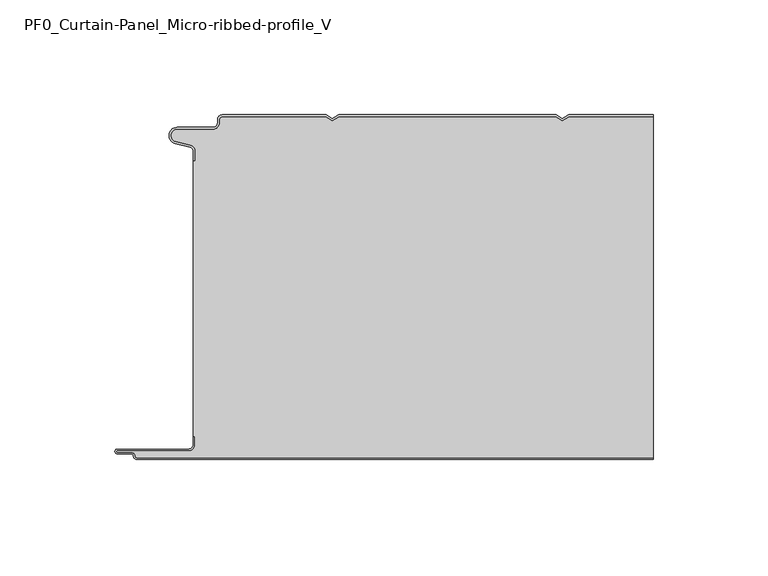
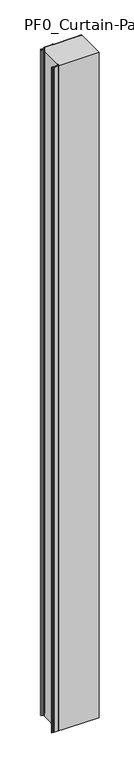
"""IFC4 building model written with IfcOpenShell, lengths in millimetres: plate geometry, PF0_Curtain-Panel_Micro-ribbed-profile_V."""

from ifc_helpers import new_model, si_unit, point, frame_2d, origin, origin_with_axes, place, context, project, spatial, polyline, circle_curve, trimmed, segment, composite_curve, outline, extrude, source, transform, mapped, element, save


def pf0_curtain_panel_micro_ribbed_profile_v_81ee05c0(model_context):
    return source(origin(), model_context, "Body", "SweptSolid", [
        extrude(outline(composite_curve([segment(trimmed(circle_curve(frame_2d((-102.0, -15.878557)), 2.0), [point((-100.0, -15.878557))], [point((-101.5500978, -13.9298169))], True, "CARTESIAN"), True, "CONTINUOUS"), segment(polyline([(-101.5500978, -13.9298169), (-107.7098239, -12.507732)]), True, "CONTINUOUS"), segment(trimmed(circle_curve(frame_2d((-106.9, -9.0)), 3.6), [point((-107.7098239, -12.507732))], [point((-106.9, -5.4))], False, "CARTESIAN"), True, "CONTINUOUS"), segment(polyline([(-106.9, -5.4), (-91.4, -5.4)]), True, "CONTINUOUS"), segment(trimmed(circle_curve(frame_2d((-91.4, -3.4)), 2.0), [point((-91.4, -5.4))], [point((-89.4, -3.4))], True, "CARTESIAN"), True, "CONTINUOUS"), segment(polyline([(-89.4, -3.4), (-89.4, -2.0)]), True, "CONTINUOUS"), segment(trimmed(circle_curve(frame_2d((-87.4, -2.0)), 2.0), [point((-89.4, -2.0))], [point((-87.4, 0.0))], False, "CARTESIAN"), True, "CONTINUOUS"), segment(polyline([(-87.4, 0.0), (-42.0999995, 0.0), (-39.4, -1.5588455), (-36.7000005, 0.0), (57.9000005, 0.0), (60.6, -1.5588455), (63.2999995, 0.0), (100.0, 0.0), (100.0, -0.8), (63.5143588, -0.8), (60.6, -2.482606), (57.6856412, -0.8), (-36.4856412, -0.8), (-39.4, -2.482606), (-42.3143588, -0.8), (-87.4, -0.8)]), True, "CONTINUOUS"), segment(trimmed(circle_curve(frame_2d((-87.4, -2.0)), 1.2), [point((-87.4, -0.8))], [point((-88.6, -2.0))], True, "CARTESIAN"), True, "CONTINUOUS"), segment(polyline([(-88.6, -2.0), (-88.6, -3.4)]), True, "CONTINUOUS"), segment(trimmed(circle_curve(frame_2d((-91.4, -3.4)), 2.8), [point((-88.6, -3.4))], [point((-91.4, -6.2))], False, "CARTESIAN"), True, "CONTINUOUS"), segment(polyline([(-91.4, -6.2), (-106.9, -6.2)]), True, "CONTINUOUS"), segment(trimmed(circle_curve(frame_2d((-106.9, -9.0)), 2.8), [point((-106.9, -6.2))], [point((-107.529863, -11.7282362))], True, "CARTESIAN"), True, "CONTINUOUS"), segment(polyline([(-107.529863, -11.7282362), (-101.370137, -13.150321)]), True, "CONTINUOUS"), segment(trimmed(circle_curve(frame_2d((-102.0, -15.878557)), 2.8), [point((-101.370137, -13.150321))], [point((-99.2, -15.878557))], False, "CARTESIAN"), True, "CONTINUOUS"), segment(polyline([(-99.2, -15.878557), (-99.2, -20.0), (-100.0, -20.0), (-100.0, -15.878557)]), True, "CONTINUOUS")], self_intersect=False)), origin_with_axes(), (0.0, 0.0, 1.0), 3500.0),
        extrude(outline(composite_curve([segment(polyline([(-99.2, -140.0), (-100.0, -140.0), (-100.0, -20.0), (-99.2, -20.0), (-99.2, -15.878557)]), True, "CONTINUOUS"), segment(trimmed(circle_curve(frame_2d((-102.0, -15.878557)), 2.8), [point((-99.2, -15.878557))], [point((-101.370137, -13.1503208))], True, "CARTESIAN"), True, "CONTINUOUS"), segment(polyline([(-101.370137, -13.1503208), (-107.529863, -11.7282362)]), True, "CONTINUOUS"), segment(trimmed(circle_curve(frame_2d((-106.9, -9.0)), 2.8), [point((-107.529863, -11.7282362))], [point((-106.9, -6.2))], False, "CARTESIAN"), True, "CONTINUOUS"), segment(polyline([(-106.9, -6.2), (-91.4, -6.2)]), True, "CONTINUOUS"), segment(trimmed(circle_curve(frame_2d((-91.4, -3.4)), 2.8), [point((-91.4, -6.2))], [point((-88.6, -3.4))], True, "CARTESIAN"), True, "CONTINUOUS"), segment(polyline([(-88.6, -3.4), (-88.6, -2.0)]), True, "CONTINUOUS"), segment(trimmed(circle_curve(frame_2d((-87.4, -2.0)), 1.2), [point((-88.6, -2.0))], [point((-87.4, -0.8))], False, "CARTESIAN"), True, "CONTINUOUS"), segment(polyline([(-87.4, -0.8), (-42.3143588, -0.8), (-39.4, -2.482606), (-36.4856412, -0.8), (57.6856412, -0.8), (60.6, -2.482606), (63.5143588, -0.8), (100.0, -0.8), (100.0, -149.2), (-124.4, -149.2)]), True, "CONTINUOUS"), segment(trimmed(circle_curve(frame_2d((-124.4, -148.4)), 0.8), [point((-124.4, -149.2))], [point((-125.2, -148.4))], False, "CARTESIAN"), True, "CONTINUOUS"), segment(trimmed(circle_curve(frame_2d((-126.9, -148.6133333)), 1.7133333), [point((-125.2, -148.4))], [point((-126.9, -146.9))], True, "CARTESIAN"), True, "CONTINUOUS"), segment(polyline([(-126.9, -146.9), (-132.8700312, -146.9)]), True, "CONTINUOUS"), segment(trimmed(circle_curve(frame_2d((-132.8700312, -146.6)), 0.3), [point((-132.8700312, -146.9))], [point((-132.8700312, -146.3))], False, "CARTESIAN"), True, "CONTINUOUS"), segment(polyline([(-132.8700312, -146.3), (-102.0, -146.3)]), True, "CONTINUOUS"), segment(trimmed(circle_curve(frame_2d((-102.0, -143.5)), 2.8), [point((-102.0, -146.3))], [point((-99.2, -143.5))], True, "CARTESIAN"), True, "CONTINUOUS"), segment(polyline([(-99.2, -143.5), (-99.2, -140.0)]), True, "CONTINUOUS")], self_intersect=False)), origin_with_axes(), (0.0, 0.0, 1.0), 3500.0),
        extrude(outline(composite_curve([segment(polyline([(-100.0, -140.0), (-99.2, -140.0), (-99.2, -143.5)]), True, "CONTINUOUS"), segment(trimmed(circle_curve(frame_2d((-102.0, -143.5)), 2.8), [point((-99.2, -143.5))], [point((-102.0, -146.3))], False, "CARTESIAN"), True, "CONTINUOUS"), segment(polyline([(-102.0, -146.3), (-132.8700312, -146.3)]), True, "CONTINUOUS"), segment(trimmed(circle_curve(frame_2d((-132.8700312, -146.6)), 0.3), [point((-132.8700312, -146.3))], [point((-132.8700312, -146.9))], True, "CARTESIAN"), True, "CONTINUOUS"), segment(polyline([(-132.8700312, -146.9), (-126.9, -146.9)]), True, "CONTINUOUS"), segment(trimmed(circle_curve(frame_2d((-126.9, -148.6133333)), 1.7133333), [point((-126.9, -146.9))], [point((-125.2, -148.4))], False, "CARTESIAN"), True, "CONTINUOUS"), segment(trimmed(circle_curve(frame_2d((-124.4, -148.4)), 0.8), [point((-125.2, -148.4))], [point((-124.4, -149.2))], True, "CARTESIAN"), True, "CONTINUOUS"), segment(polyline([(-124.4, -149.2), (100.0, -149.2), (100.0, -150.0), (-124.4, -150.0)]), True, "CONTINUOUS"), segment(trimmed(circle_curve(frame_2d((-124.4, -148.4)), 1.6), [point((-124.4, -150.0))], [point((-126.0, -148.4))], False, "CARTESIAN"), True, "CONTINUOUS"), segment(trimmed(circle_curve(frame_2d((-126.9, -148.4)), 0.9), [point((-126.0, -148.4))], [point((-126.9, -147.5))], True, "CARTESIAN"), True, "CONTINUOUS"), segment(polyline([(-126.9, -147.5), (-133.0, -147.5)]), True, "CONTINUOUS"), segment(trimmed(circle_curve(frame_2d((-133.0, -146.5)), 1.0), [point((-133.0, -147.5))], [point((-133.0, -145.5))], False, "CARTESIAN"), True, "CONTINUOUS"), segment(polyline([(-133.0, -145.5), (-102.0, -145.5)]), True, "CONTINUOUS"), segment(trimmed(circle_curve(frame_2d((-102.0, -143.5)), 2.0), [point((-102.0, -145.5))], [point((-100.0, -143.5))], True, "CARTESIAN"), True, "CONTINUOUS"), segment(polyline([(-100.0, -143.5), (-100.0, -140.0)]), True, "CONTINUOUS")], self_intersect=False)), origin_with_axes(), (0.0, 0.0, 1.0), 3500.0),
    ])


if __name__ == "__main__":
    model = new_model("IFC4")
    model_context = context("Model", 3, world=origin())
    ifc_project = project(units=[si_unit("LENGTHUNIT", "METRE", prefix="MILLI")], contexts=[model_context])
    site = spatial("IfcSite", under=ifc_project)
    building = spatial("IfcBuilding", under=site)
    placement = place(None, origin())
    pf0_curtain_panel_micro_ribbed_profile_v_shape = pf0_curtain_panel_micro_ribbed_profile_v_81ee05c0(model_context)
    element("IfcPlate", 1, ObjectType="PF0_Curtain-Panel_Micro-ribbed-profile_V", at=placement, inside=building, context=model_context, shape_type="MappedRepresentation", body=[
        mapped(pf0_curtain_panel_micro_ribbed_profile_v_shape, transform((0.0, 0.0, 0.0), x_axis=(1.0, 0.0, 0.0), y_axis=(0.0, 1.0, 0.0), z_axis=(0.0, 0.0, 1.0))),
    ])
    save(model, "model.ifc")
